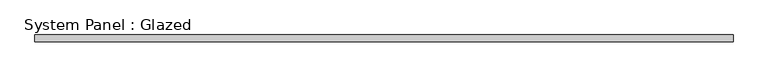
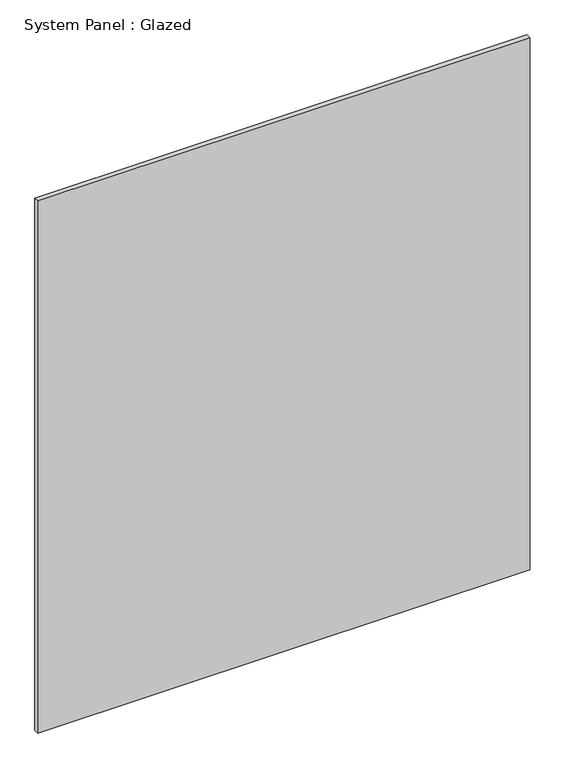
"""IFC4 building model written with IfcOpenShell, lengths in millimetres: plate geometry, System Panel : Glazed."""

from ifc_helpers import new_model, si_unit, origin, origin_with_axes, place, context, project, spatial, polyline, outline, extrude, source, transform, mapped, element, save


def system_panel_glazed_8f90fc57(model_context):
    return source(origin(), model_context, "Body", "SweptSolid", [
        extrude(outline(polyline([(1333.5, 25.4), (-1333.5, 25.4), (-1333.5, 50.8), (1333.5, 50.8), (1333.5, 25.4)])), origin_with_axes(), (0.0, 0.0, 1.0), 3048.0),
    ])


if __name__ == "__main__":
    model = new_model("IFC4")
    model_context = context("Model", 3, world=origin())
    ifc_project = project(units=[si_unit("LENGTHUNIT", "METRE", prefix="MILLI")], contexts=[model_context])
    site = spatial("IfcSite", under=ifc_project)
    building = spatial("IfcBuilding", under=site)
    placement = place(None, origin())
    system_panel_glazed_shape = system_panel_glazed_8f90fc57(model_context)
    element("IfcPlate", 1, ObjectType="System Panel : Glazed", at=placement, inside=building, context=model_context, shape_type="MappedRepresentation", body=[
        mapped(system_panel_glazed_shape, transform((0.0, 0.0, 0.0), x_axis=(1.0, 0.0, 0.0), y_axis=(0.0, 1.0, 0.0), z_axis=(0.0, 0.0, 1.0))),
    ])
    save(model, "model.ifc")
